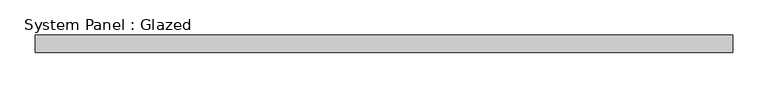
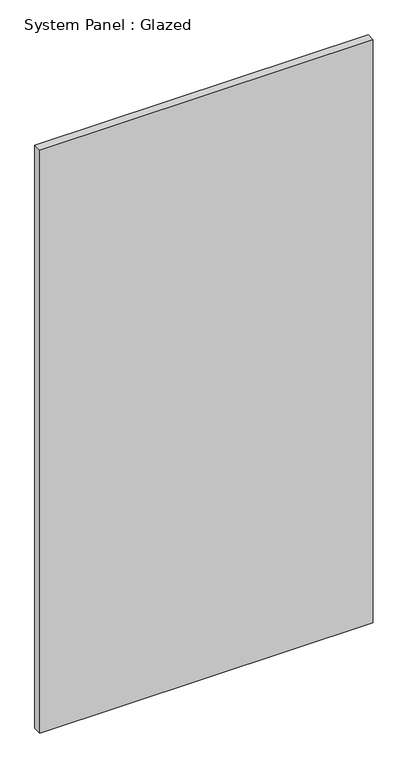
"""IFC4 building model written with IfcOpenShell, lengths in millimetres: plate geometry, System Panel : Glazed."""

from ifc_helpers import new_model, si_unit, origin, origin_with_axes, place, context, project, spatial, polyline, outline, extrude, source, transform, mapped, element, save


def system_panel_glazed_3b17ae23(model_context):
    return source(origin(), model_context, "Body", "SweptSolid", [
        extrude(outline(polyline([(496.7256034, 24.5), (-496.7256034, 24.5), (-496.7256034, 49.5), (496.7256034, 49.5), (496.7256034, 24.5)])), origin_with_axes(), (0.0, 0.0, 1.0), 1834.3025596),
    ])


if __name__ == "__main__":
    model = new_model("IFC4")
    model_context = context("Model", 3, world=origin())
    ifc_project = project(units=[si_unit("LENGTHUNIT", "METRE", prefix="MILLI")], contexts=[model_context])
    site = spatial("IfcSite", under=ifc_project)
    building = spatial("IfcBuilding", under=site)
    placement = place(None, origin())
    system_panel_glazed_shape = system_panel_glazed_3b17ae23(model_context)
    element("IfcPlate", 1, ObjectType="System Panel : Glazed", at=placement, inside=building, context=model_context, shape_type="MappedRepresentation", body=[
        mapped(system_panel_glazed_shape, transform((0.0, 0.0, 0.0), x_axis=(1.0, 0.0, 0.0), y_axis=(0.0, 1.0, 0.0), z_axis=(0.0, 0.0, 1.0))),
    ])
    save(model, "model.ifc")
